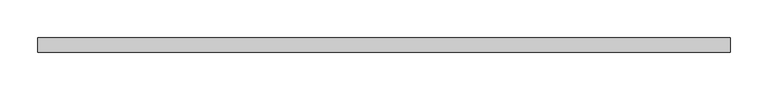
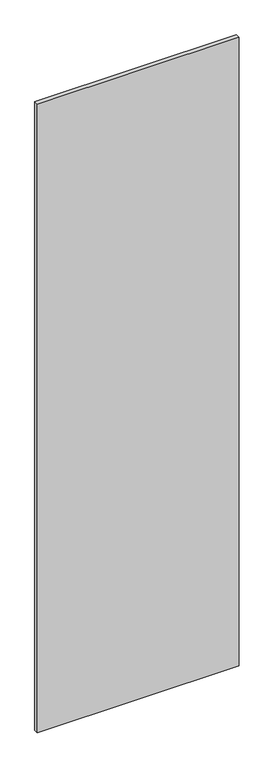
"""IFC4 building model written with IfcOpenShell, lengths in millimetres: proxy geometry."""

from ifc_helpers import new_model, si_unit, frame, origin, place, context, project, spatial, polyline, outline, extrude, source, transform, mapped, element, save


def specialty_equipment_35c1ec0c(model_context):
    return source(origin(), model_context, "Body", "SweptSolid", [
        extrude(outline(polyline([(455.3204, 9.525), (455.3204, -9.525), (-455.3204, -9.525), (-455.3204, 9.525), (455.3204, 9.525)])), frame((0.0, 0.0, 3.175), z_axis=(0.0, 0.0, 1.0), x_axis=(1.0, 0.0, 0.0)), (0.0, 0.0, 1.0), 2996.3618001),
    ])


if __name__ == "__main__":
    model = new_model("IFC4")
    model_context = context("Model", 3, world=origin())
    ifc_project = project(units=[si_unit("LENGTHUNIT", "METRE", prefix="MILLI")], contexts=[model_context])
    site = spatial("IfcSite", under=ifc_project)
    building = spatial("IfcBuilding", under=site)
    placement = place(None, origin())
    specialty_equipment_shape = specialty_equipment_35c1ec0c(model_context)
    element("IfcBuildingElementProxy", 1, Name="Specialty Equipment", at=placement, inside=building, context=model_context, shape_type="MappedRepresentation", body=[
        mapped(specialty_equipment_shape, transform((0.0, 0.0, 0.0), x_axis=(1.0, 0.0, 0.0), y_axis=(0.0, 1.0, 0.0), z_axis=(0.0, 0.0, 1.0))),
    ])
    save(model, "model.ifc")
